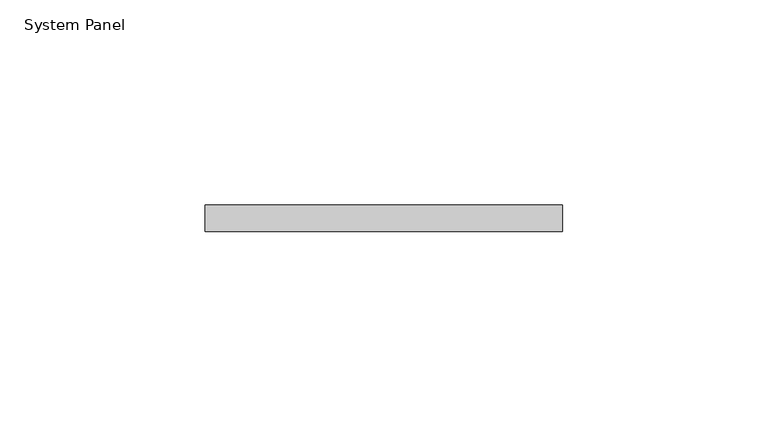
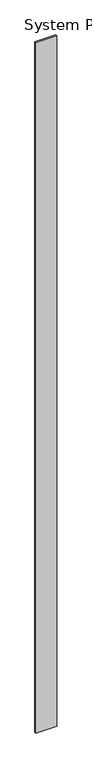
"""IFC4 building model written with IfcOpenShell, lengths in millimetres: plate geometry, System Panel."""

from ifc_helpers import new_model, si_unit, origin, origin_with_axes, place, context, project, spatial, polyline, outline, extrude, source, transform, mapped, element, save


def system_panel_8e6974f4(model_context):
    return source(origin(), model_context, "Body", "SweptSolid", [
        extrude(outline(polyline([(43.4455368, -6.35), (-43.4455368, -6.35), (-43.4455368, 0.0), (43.4455368, 0.0), (43.4455368, -6.35)])), origin_with_axes(), (0.0, 0.0, 1.0), 3048.0),
    ])


if __name__ == "__main__":
    model = new_model("IFC4")
    model_context = context("Model", 3, world=origin())
    ifc_project = project(units=[si_unit("LENGTHUNIT", "METRE", prefix="MILLI")], contexts=[model_context])
    site = spatial("IfcSite", under=ifc_project)
    building = spatial("IfcBuilding", under=site)
    placement = place(None, origin())
    system_panel_shape = system_panel_8e6974f4(model_context)
    element("IfcPlate", 1, ObjectType="System Panel", at=placement, inside=building, context=model_context, shape_type="MappedRepresentation", body=[
        mapped(system_panel_shape, transform((0.0, 0.0, 0.0), x_axis=(1.0, 0.0, 0.0), y_axis=(0.0, 1.0, 0.0), z_axis=(0.0, 0.0, 1.0))),
    ])
    save(model, "model.ifc")
